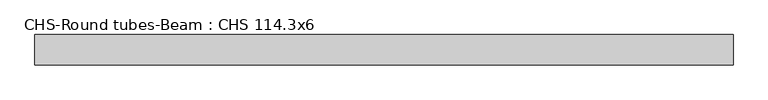
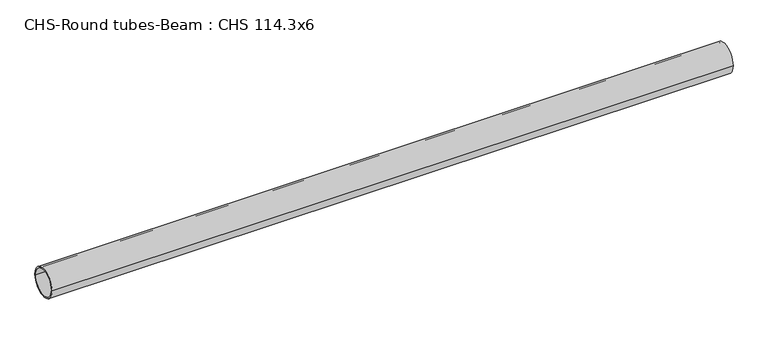
"""IFC4 building model written with IfcOpenShell, lengths in millimetres: beam geometry, CHS-Round tubes-Beam : CHS 114.3x6."""

from ifc_helpers import new_model, si_unit, point, frame, origin, origin_2d, place, context, project, spatial, circle_curve, trimmed, segment, composite_curve, outline, extrude, source, transform, mapped, element, save


def chs_round_tubes_beam_chs_114_3x6_b3ce0cb6(model_context):
    return source(origin(), model_context, "Body", "SweptSolid", [
        extrude(outline(composite_curve([segment(trimmed(circle_curve(origin_2d(), 57.15), [point((57.15, 0.0))], [point((-57.15, 0.0))], False, "CARTESIAN"), True, "CONTINUOUS"), segment(trimmed(circle_curve(origin_2d(), 57.15), [point((-57.15, 0.0))], [point((57.15, 0.0))], False, "CARTESIAN"), True, "CONTINUOUS")], self_intersect=False), holes=[composite_curve([segment(trimmed(circle_curve(origin_2d(), 51.15), [point((51.15, 0.0))], [point((-51.15, 0.0))], True, "CARTESIAN"), True, "CONTINUOUS"), segment(trimmed(circle_curve(origin_2d(), 51.15), [point((-51.15, 0.0))], [point((51.15, 0.0))], True, "CARTESIAN"), True, "CONTINUOUS")], self_intersect=False)]), frame((-1306.4768706, 0.0, 0.0), z_axis=(1.0, 0.0, 0.0), x_axis=(0.0, 1.0, 0.0)), (0.0, 0.0, 1.0), 2630.0967061),
    ])


if __name__ == "__main__":
    model = new_model("IFC4")
    model_context = context("Model", 3, world=origin())
    ifc_project = project(units=[si_unit("LENGTHUNIT", "METRE", prefix="MILLI")], contexts=[model_context])
    site = spatial("IfcSite", under=ifc_project)
    building = spatial("IfcBuilding", under=site)
    placement = place(None, origin())
    chs_round_tubes_beam_chs_114_3x6_shape = chs_round_tubes_beam_chs_114_3x6_b3ce0cb6(model_context)
    element("IfcBeam", 1, ObjectType="CHS-Round tubes-Beam : CHS 114.3x6", at=placement, inside=building, context=model_context, shape_type="MappedRepresentation", body=[
        mapped(chs_round_tubes_beam_chs_114_3x6_shape, transform((0.0, 0.0, 0.0), x_axis=(1.0, 0.0, 0.0), y_axis=(0.0, 1.0, 0.0), z_axis=(0.0, 0.0, 1.0))),
    ])
    save(model, "model.ifc")
